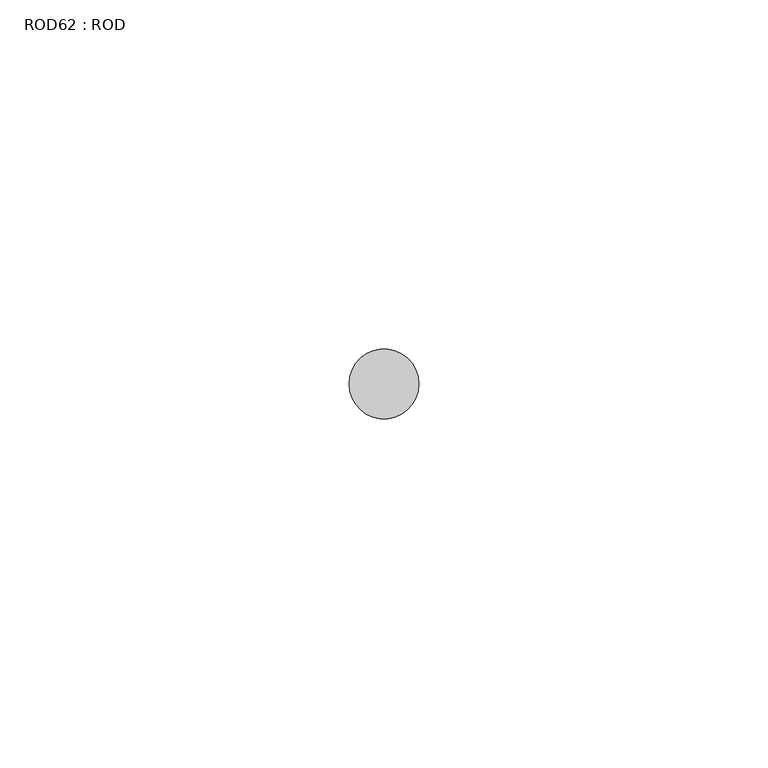
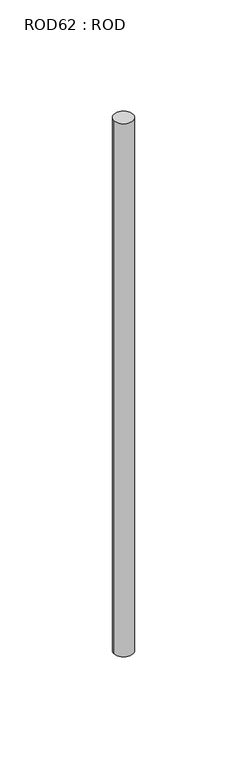
"""IFC4 building model written with IfcOpenShell, lengths in millimetres: proxy geometry, ROD62 : ROD."""

import ifcopenshell
import ifcopenshell.guid

model = None  # the IFC model being written
_history = None  # IfcOwnerHistory: only IFC2X3 demands one
_inside = {}  # id of a spatial element -> (the spatial element, [elements in it])
_under = {}  # id of a project, library or spatial element -> (it, [spatial elements below it])
_declared = {}  # id of a project -> (the project, [libraries it declares])
_typed = {}  # id of a type object -> (the type object, [elements of that type])
_made_of = {}  # id of a material, layer set ... -> (it, [elements and type objects made of it])


def new_model(schema):
    """Start an empty IFC model of exactly this schema.

    Asked for "IFC4X3", IfcOpenShell would pick the latest addendum, in which some entities
    have other attributes; the version numbers below select the first issue.
    IFC2X3 requires an IfcOwnerHistory on every rooted entity: one is made here for all.
    """
    global model, _history
    if schema == "IFC4X3":
        model = ifcopenshell.file(schema_version=(4, 3, 0, 0))
    else:
        model = ifcopenshell.file(schema=schema)
    _inside.clear()
    _under.clear()
    _declared.clear()
    _typed.clear()
    _made_of.clear()
    _history = None
    if model.schema == "IFC2X3":
        org = make("IfcOrganization", Name="unknown")
        user = make(
            "IfcPersonAndOrganization",
            ThePerson=make("IfcPerson", FamilyName="unknown"),
            TheOrganization=org,
        )
        app = make(
            "IfcApplication",
            ApplicationDeveloper=org,
            Version="unknown",
            ApplicationFullName="unknown",
            ApplicationIdentifier="unknown",
        )
        _history = make(
            "IfcOwnerHistory",
            OwningUser=user,
            OwningApplication=app,
            ChangeAction="ADDED",
            CreationDate=0,
        )
    return model


def make(cls, **values):
    """One entity of the class cls with the attributes given. An attribute that is None is left unset."""
    return model.create_entity(
        cls, **{name: value for name, value in values.items() if value is not None}
    )


def rooted(cls, **values):
    """An entity with a GlobalId (a new one), such as an element, a storey or a relation."""
    return make(cls, GlobalId=ifcopenshell.guid.new(), OwnerHistory=_history, **values)


def si_unit(unit_type, name, prefix=None):
    """IfcSIUnit, for example si_unit("LENGTHUNIT", "METRE", prefix="MILLI")."""
    return make("IfcSIUnit", UnitType=unit_type, Prefix=prefix, Name=name)


def assignment(units):
    """IfcUnitAssignment: the units of a project."""
    return None if units is None else make("IfcUnitAssignment", Units=units)


def point(xyz):
    """IfcCartesianPoint."""
    return None if xyz is None else make("IfcCartesianPoint", Coordinates=xyz)


def direction(xyz):
    """IfcDirection."""
    return None if xyz is None else make("IfcDirection", DirectionRatios=xyz)


def frame(location, z_axis=None, x_axis=None):
    """IfcAxis2Placement3D, a coordinate frame: its origin and axes. An axis left out is left unset."""
    return make(
        "IfcAxis2Placement3D",
        Location=point(location),
        Axis=direction(z_axis),
        RefDirection=direction(x_axis),
    )


def frame_2d(location, x_axis=None):
    """IfcAxis2Placement2D, a coordinate frame in the plane: its origin and x axis."""
    return make(
        "IfcAxis2Placement2D", Location=point(location), RefDirection=direction(x_axis)
    )


def origin():
    """The frame at (0, 0, 0) with its axes left unset."""
    return frame((0.0, 0.0, 0.0))


def place(relative_to, where):
    """IfcLocalPlacement: puts the frame where relative to a parent placement (None: the world)."""
    return make(
        "IfcLocalPlacement", PlacementRelTo=relative_to, RelativePlacement=where
    )


def context(
    kind, dimensions, precision=None, world=None, true_north=None, identifier=None
):
    """IfcGeometricRepresentationContext, for example the 3D "Model" context."""
    return make(
        "IfcGeometricRepresentationContext",
        ContextIdentifier=identifier,
        ContextType=kind,
        CoordinateSpaceDimension=dimensions,
        Precision=precision,
        WorldCoordinateSystem=world,
        TrueNorth=true_north,
    )


def project(units=None, contexts=None):
    """IfcProject with its units and contexts."""
    return rooted(
        "IfcProject",
        Name="project",
        RepresentationContexts=contexts,
        UnitsInContext=assignment(units),
    )


def spatial(cls, under=None, at=None, **own):
    """A site, building, storey or space (cls), placed at a placement, below another one or the project."""
    s = rooted(cls, ObjectPlacement=at, **own)
    if under is not None:
        _under.setdefault(under.id(), (under, []))[1].append(s)
    return s


def circle_curve(where, radius):
    """IfcCircle in the frame where."""
    return make("IfcCircle", Position=where, Radius=radius)


def trimmed(basis, trim1, trim2, sense, master):
    """IfcTrimmedCurve: the piece of a basis curve between two trims."""
    return make(
        "IfcTrimmedCurve",
        BasisCurve=basis,
        Trim1=trim1,
        Trim2=trim2,
        SenseAgreement=sense,
        MasterRepresentation=master,
    )


def segment(curve, same_sense, transition):
    """IfcCompositeCurveSegment."""
    return make(
        "IfcCompositeCurveSegment",
        Transition=transition,
        SameSense=same_sense,
        ParentCurve=curve,
    )


def composite_curve(segments, self_intersect=None):
    """IfcCompositeCurve: segments joined end to end."""
    return make("IfcCompositeCurve", Segments=segments, SelfIntersect=self_intersect)


def outline(outer, holes=None, kind="AREA"):
    """IfcArbitraryClosedProfileDef: a profile drawn as a closed curve; with holes, ...WithVoids."""
    if holes is None:
        return make("IfcArbitraryClosedProfileDef", ProfileType=kind, OuterCurve=outer)
    return make(
        "IfcArbitraryProfileDefWithVoids",
        ProfileType=kind,
        OuterCurve=outer,
        InnerCurves=holes,
    )


def extrude(swept, where, along, depth):
    """IfcExtrudedAreaSolid: the profile swept, set in the frame where, extruded along a direction by depth."""
    return make(
        "IfcExtrudedAreaSolid",
        SweptArea=swept,
        Position=where,
        ExtrudedDirection=direction(along),
        Depth=depth,
    )


def shape(context_of_items, identifier, shape_type, items):
    """IfcShapeRepresentation: the items that make up one representation, for example the "Body"."""
    return make(
        "IfcShapeRepresentation",
        ContextOfItems=context_of_items,
        RepresentationIdentifier=identifier,
        RepresentationType=shape_type,
        Items=items,
    )


def source(mapping_origin, context_of_items, identifier, shape_type, items):
    """IfcRepresentationMap: a shape defined once, which mapped items show again and again."""
    return make(
        "IfcRepresentationMap",
        MappingOrigin=mapping_origin,
        MappedRepresentation=shape(context_of_items, identifier, shape_type, items),
    )


def transform(
    local_origin,
    x_axis=None,
    y_axis=None,
    z_axis=None,
    scale=None,
    scale2=None,
    scale3=None,
    uniform=True,
):
    """IfcCartesianTransformationOperator3D, or its non-uniform kind. x_axis, y_axis, z_axis: its Axis1, 2, 3."""
    if uniform:
        return make(
            "IfcCartesianTransformationOperator3D",
            Axis1=direction(x_axis),
            Axis2=direction(y_axis),
            LocalOrigin=point(local_origin),
            Scale=scale,
            Axis3=direction(z_axis),
        )
    return make(
        "IfcCartesianTransformationOperator3DnonUniform",
        Axis1=direction(x_axis),
        Axis2=direction(y_axis),
        LocalOrigin=point(local_origin),
        Scale=scale,
        Axis3=direction(z_axis),
        Scale2=scale2,
        Scale3=scale3,
    )


def mapped(mapping_source, mapping_target):
    """IfcMappedItem: shows the shape of a source again, moved by a transform."""
    return make(
        "IfcMappedItem", MappingSource=mapping_source, MappingTarget=mapping_target
    )


def made_of(thing, what):
    """Note that an element or type object is made of a material, layer set ...; save() writes the relation."""
    if what is not None:
        _made_of.setdefault(what.id(), (what, []))[1].append(thing)
    return thing


def element(
    cls,
    number,
    at=None,
    inside=None,
    cuts=None,
    type_object=None,
    material=None,
    context=None,
    identifier="Body",
    shape_type=None,
    held_by="IfcProductDefinitionShape",
    body=None,
    shapes=None,
    **own,
):
    """One element of the class cls, such as IfcWall. Its Tag is "e" and its number.

    at: its placement. inside: the storey or other place that contains it. cuts: it is an
    opening in that element (IfcRelVoidsElement). A single representation is given by context,
    identifier, shape_type and body (its items); several are given by shapes. held_by: the class
    of the entity that holds the representations. save() writes the other relations.
    """
    e = rooted(cls, Tag="e%d" % number, ObjectPlacement=at, **own)
    if body is not None:
        shapes = [shape(context, identifier, shape_type, body)]
    if shapes is not None:
        e.Representation = make(held_by, Representations=shapes)
    if inside is not None:
        _inside.setdefault(inside.id(), (inside, []))[1].append(e)
    if cuts is not None:
        rooted(
            "IfcRelVoidsElement", RelatingBuildingElement=cuts, RelatedOpeningElement=e
        )
    if type_object is not None:
        _typed.setdefault(type_object.id(), (type_object, []))[1].append(e)
    return made_of(e, material)


def aggregate(whole, parts):
    """IfcRelAggregates: a whole, such as a stair, and the parts it consists of."""
    return rooted("IfcRelAggregates", RelatingObject=whole, RelatedObjects=parts)


def save(model, path):
    """Write the relations noted so far, then the file.

    IfcRelAggregates (storeys below a building ...), IfcRelContainedInSpatialStructure (elements
    in a storey), IfcRelDefinesByType, IfcRelAssociatesMaterial and IfcRelDeclares: one each for
    every whole, place, type object, material and project.
    """
    for whole, parts in _under.values():
        aggregate(whole, parts)
    for where, things in _inside.values():
        rooted(
            "IfcRelContainedInSpatialStructure",
            RelatedElements=things,
            RelatingStructure=where,
        )
    for kind, things in _typed.values():
        rooted("IfcRelDefinesByType", RelatedObjects=things, RelatingType=kind)
    for what, things in _made_of.values():
        rooted("IfcRelAssociatesMaterial", RelatedObjects=things, RelatingMaterial=what)
    for by, libraries in _declared.values():
        rooted("IfcRelDeclares", RelatingContext=by, RelatedDefinitions=libraries)
    model.write(path)


def rod62_rod_eb4d6252(model_context):
    return source(origin(), model_context, "Body", "SweptSolid", [
        extrude(outline(composite_curve([segment(trimmed(circle_curve(frame_2d((8992.7784384, -1114.6300853)), 5.0), [point((8987.7784384, -1114.6300853))], [point((8997.7784384, -1114.6300853))], False, "CARTESIAN"), True, "CONTINUOUS"), segment(trimmed(circle_curve(frame_2d((8992.7784384, -1114.6300853)), 5.0), [point((8997.7784384, -1114.6300853))], [point((8987.7784384, -1114.6300853))], False, "CARTESIAN"), True, "CONTINUOUS")], self_intersect=False)), frame((0.0, 0.0, -208.6608845), z_axis=(0.0, 0.0, 1.0), x_axis=(1.0, 0.0, 0.0)), (0.0, 0.0, 1.0), 298.9028972),
    ])


if __name__ == "__main__":
    model = new_model("IFC4")
    model_context = context("Model", 3, world=origin())
    ifc_project = project(units=[si_unit("LENGTHUNIT", "METRE", prefix="MILLI")], contexts=[model_context])
    site = spatial("IfcSite", under=ifc_project)
    building = spatial("IfcBuilding", under=site)
    placement = place(None, origin())
    rod62_rod_shape = rod62_rod_eb4d6252(model_context)
    element("IfcBuildingElementProxy", 1, Name="ROD62 : ROD", ObjectType="ROD62 : ROD", at=placement, inside=building, context=model_context, shape_type="MappedRepresentation", body=[
        mapped(rod62_rod_shape, transform((0.0, 0.0, 0.0), x_axis=(1.0, 0.0, 0.0), y_axis=(0.0, 1.0, 0.0), z_axis=(0.0, 0.0, 1.0))),
    ])
    save(model, "model.ifc")
